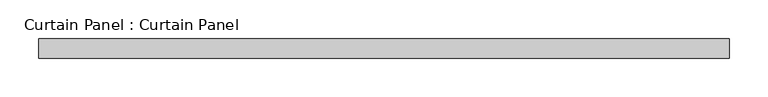
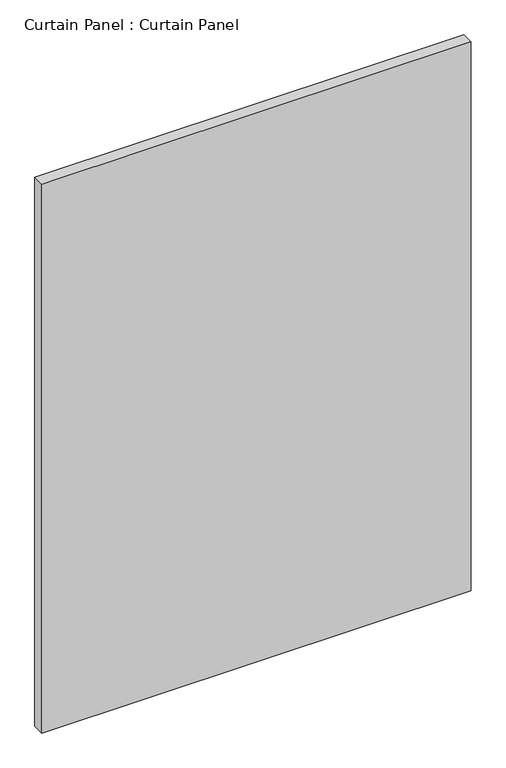
"""IFC4 building model written with IfcOpenShell, lengths in millimetres: plate geometry, Curtain Panel : Curtain Panel."""

from ifc_helpers import new_model, si_unit, frame, origin, place, context, project, spatial, polyline, outline, extrude, source, transform, mapped, element, save


def curtain_panel_curtain_panel_b2596b2b(model_context):
    return source(origin(), model_context, "Body", "SweptSolid", [
        extrude(outline(polyline([(-38057.7967462, -1996.9602036), (-38953.6353123, -1996.9602036), (-38953.6353123, -1971.5602036), (-38057.7967462, -1971.5602036), (-38057.7967462, -1996.9602036)])), frame((0.0, 0.0, 537.3555258), z_axis=(0.0, 0.0, 1.0), x_axis=(1.0, 0.0, 0.0)), (0.0, 0.0, 1.0), 1211.4218149),
    ])


if __name__ == "__main__":
    model = new_model("IFC4")
    model_context = context("Model", 3, world=origin())
    ifc_project = project(units=[si_unit("LENGTHUNIT", "METRE", prefix="MILLI")], contexts=[model_context])
    site = spatial("IfcSite", under=ifc_project)
    building = spatial("IfcBuilding", under=site)
    placement = place(None, origin())
    curtain_panel_curtain_panel_shape = curtain_panel_curtain_panel_b2596b2b(model_context)
    element("IfcPlate", 1, ObjectType="Curtain Panel : Curtain Panel", at=placement, inside=building, context=model_context, shape_type="MappedRepresentation", body=[
        mapped(curtain_panel_curtain_panel_shape, transform((0.0, 0.0, 0.0), x_axis=(1.0, 0.0, 0.0), y_axis=(0.0, 1.0, 0.0), z_axis=(0.0, 0.0, 1.0))),
    ])
    save(model, "model.ifc")
